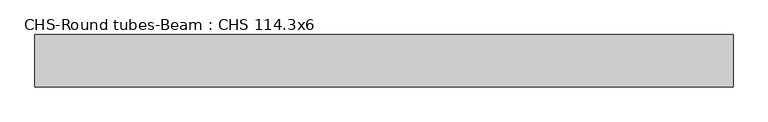
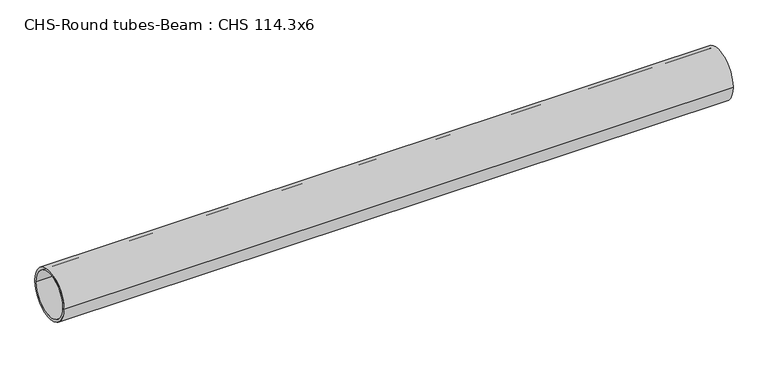
"""IFC4 building model written with IfcOpenShell, lengths in millimetres: beam geometry, CHS-Round tubes-Beam : CHS 114.3x6."""

from ifc_helpers import new_model, si_unit, point, frame, origin, origin_2d, place, context, project, spatial, circle_curve, trimmed, segment, composite_curve, outline, extrude, source, transform, mapped, element, save


def chs_round_tubes_beam_chs_114_3x6_b96225a9(model_context):
    return source(origin(), model_context, "Body", "SweptSolid", [
        extrude(outline(composite_curve([segment(trimmed(circle_curve(origin_2d(), 57.15), [point((57.15, 0.0))], [point((-57.15, 0.0))], False, "CARTESIAN"), True, "CONTINUOUS"), segment(trimmed(circle_curve(origin_2d(), 57.15), [point((-57.15, 0.0))], [point((57.15, 0.0))], False, "CARTESIAN"), True, "CONTINUOUS")], self_intersect=False), holes=[composite_curve([segment(trimmed(circle_curve(origin_2d(), 51.15), [point((51.15, 0.0))], [point((-51.15, 0.0))], True, "CARTESIAN"), True, "CONTINUOUS"), segment(trimmed(circle_curve(origin_2d(), 51.15), [point((-51.15, 0.0))], [point((51.15, 0.0))], True, "CARTESIAN"), True, "CONTINUOUS")], self_intersect=False)]), frame((-745.165515, 0.0, 0.0), z_axis=(1.0, 0.0, 0.0), x_axis=(0.0, 1.0, 0.0)), (0.0, 0.0, 1.0), 1523.7279497),
    ])


if __name__ == "__main__":
    model = new_model("IFC4")
    model_context = context("Model", 3, world=origin())
    ifc_project = project(units=[si_unit("LENGTHUNIT", "METRE", prefix="MILLI")], contexts=[model_context])
    site = spatial("IfcSite", under=ifc_project)
    building = spatial("IfcBuilding", under=site)
    placement = place(None, origin())
    chs_round_tubes_beam_chs_114_3x6_shape = chs_round_tubes_beam_chs_114_3x6_b96225a9(model_context)
    element("IfcBeam", 1, ObjectType="CHS-Round tubes-Beam : CHS 114.3x6", at=placement, inside=building, context=model_context, shape_type="MappedRepresentation", body=[
        mapped(chs_round_tubes_beam_chs_114_3x6_shape, transform((0.0, 0.0, 0.0), x_axis=(1.0, 0.0, 0.0), y_axis=(0.0, 1.0, 0.0), z_axis=(0.0, 0.0, 1.0))),
    ])
    save(model, "model.ifc")
